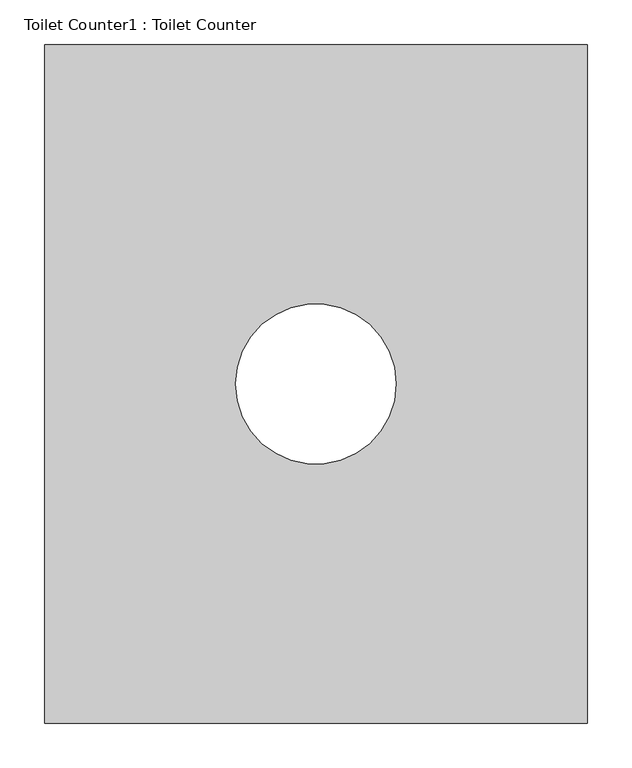
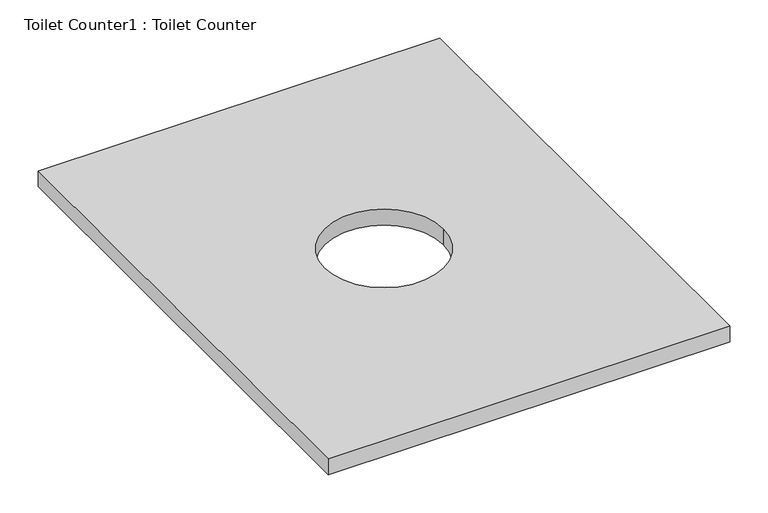
"""IFC4 building model written with IfcOpenShell, lengths in millimetres: furniture geometry, Toilet Counter1 : Toilet Counter."""

from ifc_helpers import new_model, si_unit, point, frame, frame_2d, origin, place, context, project, spatial, polyline, circle_curve, trimmed, segment, composite_curve, outline, extrude, source, transform, mapped, element, save


def toilet_counter1_toilet_counter_5e007d44(model_context):
    return source(origin(), model_context, "Body", "SweptSolid", [
        extrude(outline(polyline([(8573.803833, 2166.6809329), (8573.803833, 1404.6809329), (7964.203833, 1404.6809329), (7964.203833, 2166.6809329), (8573.803833, 2166.6809329)]), holes=[composite_curve([segment(trimmed(circle_curve(frame_2d((8269.003833, 1785.6809329)), 90.0), [point((8359.003833, 1785.6809329))], [point((8179.003833, 1785.6809329))], True, "CARTESIAN"), True, "CONTINUOUS"), segment(trimmed(circle_curve(frame_2d((8269.003833, 1785.6809329)), 90.0), [point((8179.003833, 1785.6809329))], [point((8359.003833, 1785.6809329))], True, "CARTESIAN"), True, "CONTINUOUS")], self_intersect=False)]), frame((0.0, 0.0, 4333.875), z_axis=(0.0, 0.0, 1.0), x_axis=(1.0, 0.0, 0.0)), (0.0, 0.0, 1.0), 25.4),
    ])


if __name__ == "__main__":
    model = new_model("IFC4")
    model_context = context("Model", 3, world=origin())
    ifc_project = project(units=[si_unit("LENGTHUNIT", "METRE", prefix="MILLI")], contexts=[model_context])
    site = spatial("IfcSite", under=ifc_project)
    building = spatial("IfcBuilding", under=site)
    placement = place(None, origin())
    toilet_counter1_toilet_counter_shape = toilet_counter1_toilet_counter_5e007d44(model_context)
    element("IfcFurniture", 1, ObjectType="Toilet Counter1 : Toilet Counter", at=placement, inside=building, context=model_context, shape_type="MappedRepresentation", body=[
        mapped(toilet_counter1_toilet_counter_shape, transform((0.0, 0.0, 0.0), x_axis=(1.0, 0.0, 0.0), y_axis=(0.0, 1.0, 0.0), z_axis=(0.0, 0.0, 1.0))),
    ])
    save(model, "model.ifc")
